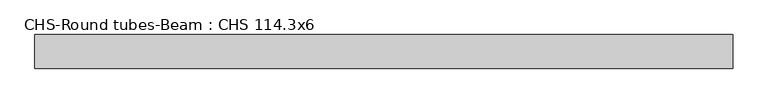
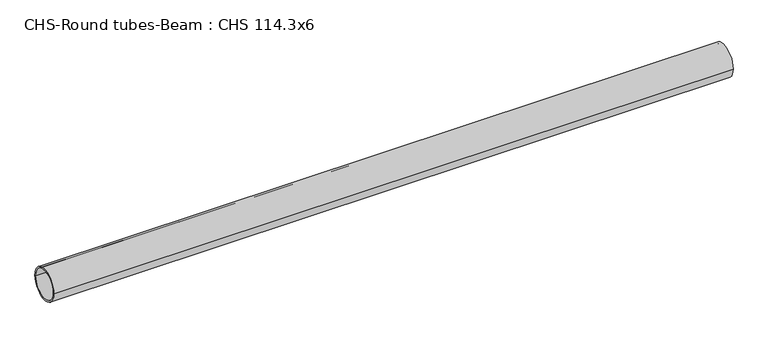
"""IFC4 building model written with IfcOpenShell, lengths in millimetres: beam geometry, CHS-Round tubes-Beam : CHS 114.3x6."""

from ifc_helpers import new_model, si_unit, point, frame, origin, origin_2d, place, context, project, spatial, circle_curve, trimmed, segment, composite_curve, outline, extrude, source, transform, mapped, element, save


def chs_round_tubes_beam_chs_114_3x6_16b0bbb6(model_context):
    return source(origin(), model_context, "Body", "SweptSolid", [
        extrude(outline(composite_curve([segment(trimmed(circle_curve(origin_2d(), 57.15), [point((57.15, 0.0))], [point((-57.15, 0.0))], False, "CARTESIAN"), True, "CONTINUOUS"), segment(trimmed(circle_curve(origin_2d(), 57.15), [point((-57.15, 0.0))], [point((57.15, 0.0))], False, "CARTESIAN"), True, "CONTINUOUS")], self_intersect=False), holes=[composite_curve([segment(trimmed(circle_curve(origin_2d(), 51.15), [point((51.15, 0.0))], [point((-51.15, 0.0))], True, "CARTESIAN"), True, "CONTINUOUS"), segment(trimmed(circle_curve(origin_2d(), 51.15), [point((-51.15, 0.0))], [point((51.15, 0.0))], True, "CARTESIAN"), True, "CONTINUOUS")], self_intersect=False)]), frame((-1135.736581, 0.0, 0.0), z_axis=(1.0, 0.0, 0.0), x_axis=(0.0, 1.0, 0.0)), (0.0, 0.0, 1.0), 2374.5230137),
    ])


if __name__ == "__main__":
    model = new_model("IFC4")
    model_context = context("Model", 3, world=origin())
    ifc_project = project(units=[si_unit("LENGTHUNIT", "METRE", prefix="MILLI")], contexts=[model_context])
    site = spatial("IfcSite", under=ifc_project)
    building = spatial("IfcBuilding", under=site)
    placement = place(None, origin())
    chs_round_tubes_beam_chs_114_3x6_shape = chs_round_tubes_beam_chs_114_3x6_16b0bbb6(model_context)
    element("IfcBeam", 1, ObjectType="CHS-Round tubes-Beam : CHS 114.3x6", at=placement, inside=building, context=model_context, shape_type="MappedRepresentation", body=[
        mapped(chs_round_tubes_beam_chs_114_3x6_shape, transform((0.0, 0.0, 0.0), x_axis=(1.0, 0.0, 0.0), y_axis=(0.0, 1.0, 0.0), z_axis=(0.0, 0.0, 1.0))),
    ])
    save(model, "model.ifc")
